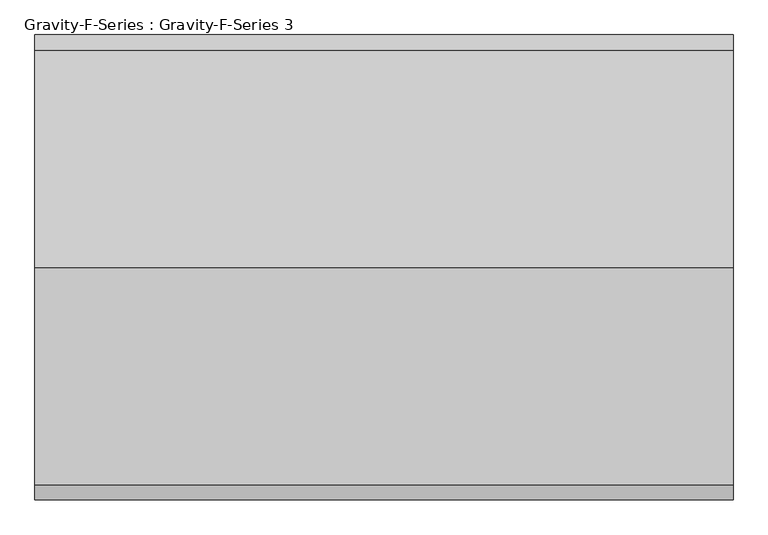
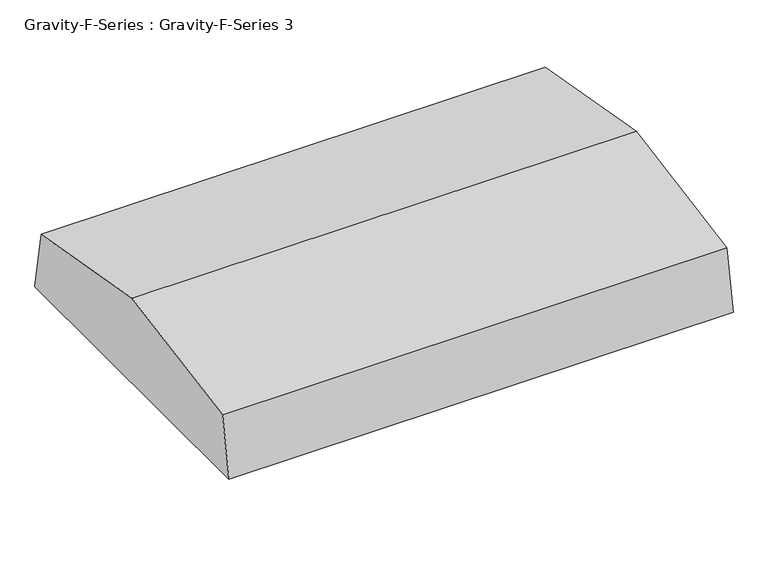
"""IFC4 building model written with IfcOpenShell, lengths in millimetres: proxy geometry, Gravity-F-Series : Gravity-F-Series 3."""

import ifcopenshell
import ifcopenshell.guid

model = None  # the IFC model being written
_history = None  # IfcOwnerHistory: only IFC2X3 demands one
_inside = {}  # id of a spatial element -> (the spatial element, [elements in it])
_under = {}  # id of a project, library or spatial element -> (it, [spatial elements below it])
_declared = {}  # id of a project -> (the project, [libraries it declares])
_typed = {}  # id of a type object -> (the type object, [elements of that type])
_made_of = {}  # id of a material, layer set ... -> (it, [elements and type objects made of it])


def new_model(schema):
    """Start an empty IFC model of exactly this schema.

    Asked for "IFC4X3", IfcOpenShell would pick the latest addendum, in which some entities
    have other attributes; the version numbers below select the first issue.
    IFC2X3 requires an IfcOwnerHistory on every rooted entity: one is made here for all.
    """
    global model, _history
    if schema == "IFC4X3":
        model = ifcopenshell.file(schema_version=(4, 3, 0, 0))
    else:
        model = ifcopenshell.file(schema=schema)
    _inside.clear()
    _under.clear()
    _declared.clear()
    _typed.clear()
    _made_of.clear()
    _history = None
    if model.schema == "IFC2X3":
        org = make("IfcOrganization", Name="unknown")
        user = make(
            "IfcPersonAndOrganization",
            ThePerson=make("IfcPerson", FamilyName="unknown"),
            TheOrganization=org,
        )
        app = make(
            "IfcApplication",
            ApplicationDeveloper=org,
            Version="unknown",
            ApplicationFullName="unknown",
            ApplicationIdentifier="unknown",
        )
        _history = make(
            "IfcOwnerHistory",
            OwningUser=user,
            OwningApplication=app,
            ChangeAction="ADDED",
            CreationDate=0,
        )
    return model


def make(cls, **values):
    """One entity of the class cls with the attributes given. An attribute that is None is left unset."""
    return model.create_entity(
        cls, **{name: value for name, value in values.items() if value is not None}
    )


def rooted(cls, **values):
    """An entity with a GlobalId (a new one), such as an element, a storey or a relation."""
    return make(cls, GlobalId=ifcopenshell.guid.new(), OwnerHistory=_history, **values)


def si_unit(unit_type, name, prefix=None):
    """IfcSIUnit, for example si_unit("LENGTHUNIT", "METRE", prefix="MILLI")."""
    return make("IfcSIUnit", UnitType=unit_type, Prefix=prefix, Name=name)


def assignment(units):
    """IfcUnitAssignment: the units of a project."""
    return None if units is None else make("IfcUnitAssignment", Units=units)


def point(xyz):
    """IfcCartesianPoint."""
    return None if xyz is None else make("IfcCartesianPoint", Coordinates=xyz)


def direction(xyz):
    """IfcDirection."""
    return None if xyz is None else make("IfcDirection", DirectionRatios=xyz)


def frame(location, z_axis=None, x_axis=None):
    """IfcAxis2Placement3D, a coordinate frame: its origin and axes. An axis left out is left unset."""
    return make(
        "IfcAxis2Placement3D",
        Location=point(location),
        Axis=direction(z_axis),
        RefDirection=direction(x_axis),
    )


def origin():
    """The frame at (0, 0, 0) with its axes left unset."""
    return frame((0.0, 0.0, 0.0))


def origin_with_axes():
    """The frame at (0, 0, 0) with the z axis (0, 0, 1) and the x axis (1, 0, 0) written out."""
    return frame((0.0, 0.0, 0.0), z_axis=(0.0, 0.0, 1.0), x_axis=(1.0, 0.0, 0.0))


def place(relative_to, where):
    """IfcLocalPlacement: puts the frame where relative to a parent placement (None: the world)."""
    return make(
        "IfcLocalPlacement", PlacementRelTo=relative_to, RelativePlacement=where
    )


def context(
    kind, dimensions, precision=None, world=None, true_north=None, identifier=None
):
    """IfcGeometricRepresentationContext, for example the 3D "Model" context."""
    return make(
        "IfcGeometricRepresentationContext",
        ContextIdentifier=identifier,
        ContextType=kind,
        CoordinateSpaceDimension=dimensions,
        Precision=precision,
        WorldCoordinateSystem=world,
        TrueNorth=true_north,
    )


def project(units=None, contexts=None):
    """IfcProject with its units and contexts."""
    return rooted(
        "IfcProject",
        Name="project",
        RepresentationContexts=contexts,
        UnitsInContext=assignment(units),
    )


def spatial(cls, under=None, at=None, **own):
    """A site, building, storey or space (cls), placed at a placement, below another one or the project."""
    s = rooted(cls, ObjectPlacement=at, **own)
    if under is not None:
        _under.setdefault(under.id(), (under, []))[1].append(s)
    return s


def polyline(points):
    """IfcPolyline through the points."""
    return make("IfcPolyline", Points=[point(p) for p in points])


def outline(outer, holes=None, kind="AREA"):
    """IfcArbitraryClosedProfileDef: a profile drawn as a closed curve; with holes, ...WithVoids."""
    if holes is None:
        return make("IfcArbitraryClosedProfileDef", ProfileType=kind, OuterCurve=outer)
    return make(
        "IfcArbitraryProfileDefWithVoids",
        ProfileType=kind,
        OuterCurve=outer,
        InnerCurves=holes,
    )


def extrude(swept, where, along, depth):
    """IfcExtrudedAreaSolid: the profile swept, set in the frame where, extruded along a direction by depth."""
    return make(
        "IfcExtrudedAreaSolid",
        SweptArea=swept,
        Position=where,
        ExtrudedDirection=direction(along),
        Depth=depth,
    )


def faces_of(points, faces, orient=None, outer=None):
    """IfcFace entities. A face is a list of loops; a loop is a list of indices into points, from 0.

    orient and outer hold one flag for each loop. By default every Orientation is true, the
    first loop of a face is its IfcFaceOuterBound and the others are IfcFaceBound.
    """
    made = []
    for i, loops in enumerate(faces):
        bounds = []
        for j, loop in enumerate(loops):
            is_outer = j == 0 if outer is None else outer[i][j]
            bounds.append(
                make(
                    "IfcFaceOuterBound" if is_outer else "IfcFaceBound",
                    Bound=make("IfcPolyLoop", Polygon=[points[k] for k in loop]),
                    Orientation=True if orient is None else orient[i][j],
                )
            )
        made.append(make("IfcFace", Bounds=bounds))
    return made


def faceted_brep(points, faces, orient=None, outer=None, voids=None):
    """IfcFacetedBrep: a solid bounded by flat faces; with voids (closed shells), ...WithVoids."""
    shared = [point(p) for p in points]
    hull = make("IfcClosedShell", CfsFaces=faces_of(shared, faces, orient, outer))
    if voids is None:
        return make("IfcFacetedBrep", Outer=hull)
    return make(
        "IfcFacetedBrepWithVoids",
        Outer=hull,
        Voids=[
            make(cls, CfsFaces=faces_of(shared, fs, o, b)) for cls, fs, o, b in voids
        ],
    )


def shape(context_of_items, identifier, shape_type, items):
    """IfcShapeRepresentation: the items that make up one representation, for example the "Body"."""
    return make(
        "IfcShapeRepresentation",
        ContextOfItems=context_of_items,
        RepresentationIdentifier=identifier,
        RepresentationType=shape_type,
        Items=items,
    )


def source(mapping_origin, context_of_items, identifier, shape_type, items):
    """IfcRepresentationMap: a shape defined once, which mapped items show again and again."""
    return make(
        "IfcRepresentationMap",
        MappingOrigin=mapping_origin,
        MappedRepresentation=shape(context_of_items, identifier, shape_type, items),
    )


def transform(
    local_origin,
    x_axis=None,
    y_axis=None,
    z_axis=None,
    scale=None,
    scale2=None,
    scale3=None,
    uniform=True,
):
    """IfcCartesianTransformationOperator3D, or its non-uniform kind. x_axis, y_axis, z_axis: its Axis1, 2, 3."""
    if uniform:
        return make(
            "IfcCartesianTransformationOperator3D",
            Axis1=direction(x_axis),
            Axis2=direction(y_axis),
            LocalOrigin=point(local_origin),
            Scale=scale,
            Axis3=direction(z_axis),
        )
    return make(
        "IfcCartesianTransformationOperator3DnonUniform",
        Axis1=direction(x_axis),
        Axis2=direction(y_axis),
        LocalOrigin=point(local_origin),
        Scale=scale,
        Axis3=direction(z_axis),
        Scale2=scale2,
        Scale3=scale3,
    )


def mapped(mapping_source, mapping_target):
    """IfcMappedItem: shows the shape of a source again, moved by a transform."""
    return make(
        "IfcMappedItem", MappingSource=mapping_source, MappingTarget=mapping_target
    )


def made_of(thing, what):
    """Note that an element or type object is made of a material, layer set ...; save() writes the relation."""
    if what is not None:
        _made_of.setdefault(what.id(), (what, []))[1].append(thing)
    return thing


def element(
    cls,
    number,
    at=None,
    inside=None,
    cuts=None,
    type_object=None,
    material=None,
    context=None,
    identifier="Body",
    shape_type=None,
    held_by="IfcProductDefinitionShape",
    body=None,
    shapes=None,
    **own,
):
    """One element of the class cls, such as IfcWall. Its Tag is "e" and its number.

    at: its placement. inside: the storey or other place that contains it. cuts: it is an
    opening in that element (IfcRelVoidsElement). A single representation is given by context,
    identifier, shape_type and body (its items); several are given by shapes. held_by: the class
    of the entity that holds the representations. save() writes the other relations.
    """
    e = rooted(cls, Tag="e%d" % number, ObjectPlacement=at, **own)
    if body is not None:
        shapes = [shape(context, identifier, shape_type, body)]
    if shapes is not None:
        e.Representation = make(held_by, Representations=shapes)
    if inside is not None:
        _inside.setdefault(inside.id(), (inside, []))[1].append(e)
    if cuts is not None:
        rooted(
            "IfcRelVoidsElement", RelatingBuildingElement=cuts, RelatedOpeningElement=e
        )
    if type_object is not None:
        _typed.setdefault(type_object.id(), (type_object, []))[1].append(e)
    return made_of(e, material)


def aggregate(whole, parts):
    """IfcRelAggregates: a whole, such as a stair, and the parts it consists of."""
    return rooted("IfcRelAggregates", RelatingObject=whole, RelatedObjects=parts)


def save(model, path):
    """Write the relations noted so far, then the file.

    IfcRelAggregates (storeys below a building ...), IfcRelContainedInSpatialStructure (elements
    in a storey), IfcRelDefinesByType, IfcRelAssociatesMaterial and IfcRelDeclares: one each for
    every whole, place, type object, material and project.
    """
    for whole, parts in _under.values():
        aggregate(whole, parts)
    for where, things in _inside.values():
        rooted(
            "IfcRelContainedInSpatialStructure",
            RelatedElements=things,
            RelatingStructure=where,
        )
    for kind, things in _typed.values():
        rooted("IfcRelDefinesByType", RelatedObjects=things, RelatingType=kind)
    for what, things in _made_of.values():
        rooted("IfcRelAssociatesMaterial", RelatedObjects=things, RelatingMaterial=what)
    for by, libraries in _declared.values():
        rooted("IfcRelDeclares", RelatingContext=by, RelatedDefinitions=libraries)
    model.write(path)


def gravity_f_series_gravity_f_series_3_122d08a6(model_context):
    return source(origin(), model_context, "Body", "SolidModel", [
        faceted_brep([(253.0424473, 397.7765442, 298.45), (-356.5575527, 397.7765442, 298.45), (-356.5575527, -364.2234558, 298.45), (253.0424473, -364.2234558, 298.45), (-331.1575527, 372.3765442, 298.45), (227.6424473, 372.3765442, 298.45), (227.6424473, -335.6484558, 298.45), (-331.1575527, -335.6484558, 298.45), (253.0424473, 397.7765442, 0.0), (253.0424473, -364.2234558, 0.0), (-356.5575527, -364.2234558, 0.0), (-356.5575527, 397.7765442, 0.0), (249.8674473, -361.0484558, 0.0), (249.8674473, 394.9543219, 0.0), (-353.3825527, 394.9543219, 0.0), (-353.3825527, -361.0484558, 0.0), (253.0424473, 397.7765442, 273.05), (-356.5575527, 397.7765442, 273.05), (-356.5575527, -364.2234558, 273.05), (253.0424473, -364.2234558, 273.05), (249.8674473, -361.0484558, 273.05), (249.8674473, 394.9543219, 273.05), (-353.3825527, -361.0484558, 273.05), (-353.3825527, 394.9543219, 273.05), (-331.1575527, 372.3765442, 273.05), (-331.1575527, -335.6484558, 273.05), (227.6424473, -335.6484558, 273.05), (227.6424473, 372.3765442, 273.05)], [[[0, 1, 2, 3], [4, 5, 6, 7]], [[8, 9, 10, 11], [12, 13, 14, 15]], [[1, 0, 16, 8, 11, 17]], [[2, 1, 17, 11, 10, 18]], [[3, 2, 18, 10, 9, 19]], [[0, 3, 19, 9, 8, 16]], [[13, 12, 20, 21]], [[12, 15, 22, 20]], [[15, 14, 23, 22]], [[14, 13, 21, 23]], [[21, 20, 22, 23], [24, 25, 26, 27]], [[5, 4, 24, 27]], [[6, 5, 27, 26]], [[7, 6, 26, 25]], [[4, 7, 25, 24]]]),
        extrude(outline(polyline([(-407.3575527, -415.0234558), (-407.3575527, 448.5765442), (303.8424473, 448.5765442), (303.8424473, -415.0234558), (-407.3575527, -415.0234558)]), holes=[polyline([(-356.5575527, 397.7765442), (-356.5575527, -364.2234558), (253.0424473, -364.2234558), (253.0424473, 397.7765442), (-356.5575527, 397.7765442)])]), origin_with_axes(), (0.0, 0.0, 1.0), 3.175),
        faceted_brep([(265.7424473, 410.4765442, 304.8), (-369.2575527, 410.4765442, 304.8), (-369.2575527, -376.9234558, 304.8), (265.7424473, -376.9234558, 304.8), (265.7424473, 410.4765442, 260.35), (265.7424473, -376.9234558, 260.35), (-369.2575527, -376.9234558, 260.35), (-369.2575527, 410.4765442, 260.35), (262.5674473, -373.7484558, 260.35), (262.5674473, 407.3015442, 260.35), (-366.0825527, 407.3015442, 260.35), (-366.0825527, -373.7484558, 260.35), (262.5674473, 407.3015442, 301.625), (262.5674473, -373.7484558, 301.625), (-366.0825527, -373.7484558, 301.625), (-366.0825527, 407.3015442, 301.625)], [[[0, 1, 2, 3]], [[4, 5, 6, 7], [8, 9, 10, 11]], [[1, 0, 4, 7]], [[2, 1, 7, 6]], [[3, 2, 6, 5]], [[0, 3, 5, 4]], [[12, 13, 14, 15]], [[13, 12, 9, 8]], [[14, 13, 8, 11]], [[15, 14, 11, 10]], [[12, 15, 10, 9]]]),
        extrude(outline(polyline([(-1126.2234558, 406.4), (-1051.9629254, 827.5523962), (16.7765442, 1016.0), (1085.5160137, 827.5523962), (1159.7765442, 406.4), (-1126.2234558, 406.4)])), frame((-1766.2575527, 0.0, 0.0), z_axis=(1.0, 0.0, 0.0), x_axis=(0.0, 1.0, 0.0)), (0.0, 0.0, 1.0), 3429.0),
        extrude(outline(polyline([(1091.2424473, 550.1765442), (1091.2424473, -516.6234558), (-1194.7575527, -516.6234558), (-1194.7575527, 550.1765442), (1091.2424473, 550.1765442)])), frame((0.0, 0.0, 304.8), z_axis=(0.0, 0.0, 1.0), x_axis=(1.0, 0.0, 0.0)), (0.0, 0.0, 1.0), 101.6),
    ])


if __name__ == "__main__":
    model = new_model("IFC4")
    model_context = context("Model", 3, world=origin())
    ifc_project = project(units=[si_unit("LENGTHUNIT", "METRE", prefix="MILLI")], contexts=[model_context])
    site = spatial("IfcSite", under=ifc_project)
    building = spatial("IfcBuilding", under=site)
    placement = place(None, origin())
    gravity_f_series_gravity_f_series_3_shape = gravity_f_series_gravity_f_series_3_122d08a6(model_context)
    element("IfcBuildingElementProxy", 1, Name="Gravity-F-Series : Gravity-F-Series 3", ObjectType="Gravity-F-Series : Gravity-F-Series 3", at=placement, inside=building, context=model_context, shape_type="MappedRepresentation", body=[
        mapped(gravity_f_series_gravity_f_series_3_shape, transform((0.0, 0.0, 0.0), x_axis=(1.0, 0.0, 0.0), y_axis=(0.0, 1.0, 0.0), z_axis=(0.0, 0.0, 1.0))),
    ])
    save(model, "model.ifc")
